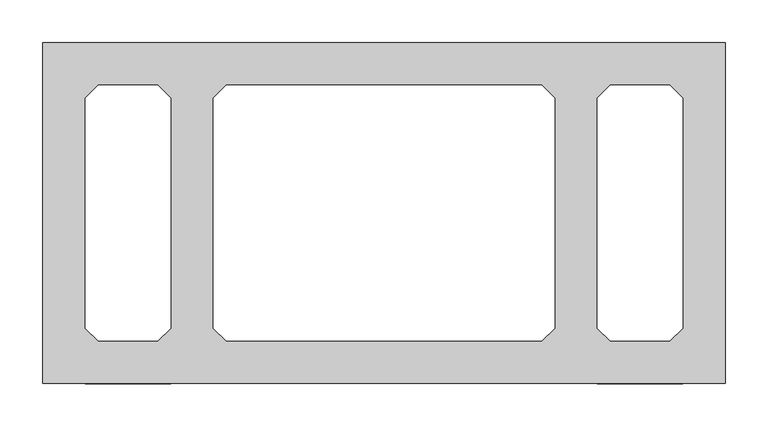
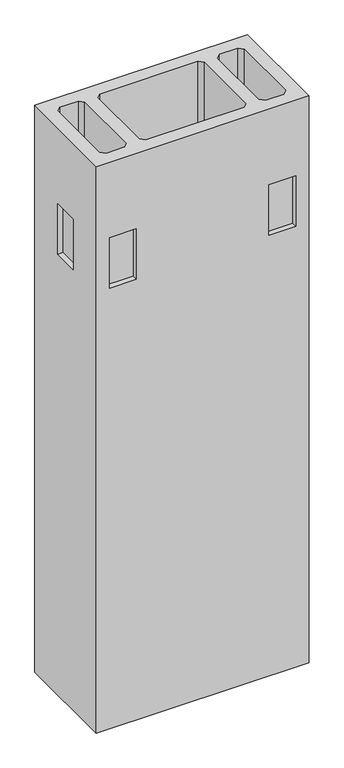
"""IFC4 building model written with IfcOpenShell, lengths in millimetres: proxy geometry."""

from ifc_helpers import new_model, si_unit, origin, place, context, project, spatial, faceted_brep, source, transform, mapped, element, save


def specialty_equipment_9d9a29e4(model_context):
    return source(origin(), model_context, "Body", "Brep", [
        faceted_brep([(-400.0, 200.0, 2250.0), (-400.0, -200.0, 2250.0), (400.0, -200.0, 2250.0), (400.0, 200.0, 2250.0), (-335.0, -150.0, 2250.0), (-350.0, -135.0, 2250.0), (-350.0, 135.0, 2250.0), (-335.0, 150.0, 2250.0), (-265.0, 150.0, 2250.0), (-250.0, 135.0, 2250.0), (-250.0, -135.0, 2250.0), (-265.0, -150.0, 2250.0), (-185.0, -150.0, 2250.0), (-200.0, -135.0, 2250.0), (-200.0, 135.0, 2250.0), (-185.0, 150.0, 2250.0), (185.0, 150.0, 2250.0), (200.0, 135.0, 2250.0), (200.0, -135.0, 2250.0), (185.0, -150.0, 2250.0), (265.0, -150.0, 2250.0), (250.0, -135.0, 2250.0), (250.0, 135.0, 2250.0), (265.0, 150.0, 2250.0), (335.0, 150.0, 2250.0), (350.0, 135.0, 2250.0), (350.0, -135.0, 2250.0), (335.0, -150.0, 2250.0), (-400.0, 200.0, 0.0), (400.0, 200.0, 0.0), (400.0, -200.0, 0.0), (-400.0, -200.0, 0.0), (-335.0, -150.0, 0.0), (-265.0, -150.0, 0.0), (-250.0, -135.0, 0.0), (-250.0, 135.0, 0.0), (-265.0, 150.0, 0.0), (-335.0, 150.0, 0.0), (-350.0, 135.0, 0.0), (-350.0, -135.0, 0.0), (-185.0, -150.0, 0.0), (185.0, -150.0, 0.0), (200.0, -135.0, 0.0), (200.0, 135.0, 0.0), (185.0, 150.0, 0.0), (-185.0, 150.0, 0.0), (-200.0, 135.0, 0.0), (-200.0, -135.0, 0.0), (265.0, -150.0, 0.0), (335.0, -150.0, 0.0), (350.0, -135.0, 0.0), (350.0, 135.0, 0.0), (335.0, 150.0, 0.0), (265.0, 150.0, 0.0), (250.0, 135.0, 0.0), (250.0, -135.0, 0.0), (-250.0, 200.0, 1950.0), (-350.0, 200.0, 1950.0), (-350.0, 200.0, 1750.0), (-250.0, 200.0, 1750.0), (250.0, 200.0, 1750.0), (350.0, 200.0, 1750.0), (350.0, 200.0, 1950.0), (250.0, 200.0, 1950.0), (400.0, 50.0, 1750.0), (400.0, -50.0, 1750.0), (400.0, -50.0, 1950.0), (400.0, 50.0, 1950.0), (-250.0, -200.0, 1750.0), (-350.0, -200.0, 1750.0), (-350.0, -200.0, 1950.0), (-250.0, -200.0, 1950.0), (250.0, -200.0, 1950.0), (350.0, -200.0, 1950.0), (350.0, -200.0, 1750.0), (250.0, -200.0, 1750.0), (-400.0, 50.0, 1950.0), (-400.0, -50.0, 1950.0), (-400.0, -50.0, 1750.0), (-400.0, 50.0, 1750.0), (-250.0, -180.0, 1950.0), (-350.0, -180.0, 1950.0), (-350.0, -180.0, 1750.0), (-250.0, -180.0, 1750.0), (250.0, -180.0, 1950.0), (250.0, -180.0, 1750.0), (350.0, -180.0, 1750.0), (350.0, -180.0, 1950.0), (-250.0, 180.0, 1950.0), (-250.0, 180.0, 1750.0), (-350.0, 180.0, 1750.0), (-350.0, 180.0, 1950.0), (250.0, 180.0, 1950.0), (350.0, 180.0, 1950.0), (350.0, 180.0, 1750.0), (250.0, 180.0, 1750.0), (-380.0, 50.0, 1950.0), (-380.0, 50.0, 1750.0), (-380.0, -50.0, 1750.0), (-380.0, -50.0, 1950.0), (380.0, 50.0, 1950.0), (380.0, -50.0, 1950.0), (380.0, -50.0, 1750.0), (380.0, 50.0, 1750.0)], [[[0, 1, 2, 3], [4, 5, 6, 7, 8, 9, 10, 11], [12, 13, 14, 15, 16, 17, 18, 19], [20, 21, 22, 23, 24, 25, 26, 27]], [[28, 29, 30, 31], [32, 33, 34, 35, 36, 37, 38, 39], [40, 41, 42, 43, 44, 45, 46, 47], [48, 49, 50, 51, 52, 53, 54, 55]], [[3, 29, 28, 0], [56, 57, 58, 59], [60, 61, 62, 63]], [[2, 30, 29, 3], [64, 65, 66, 67]], [[1, 31, 30, 2], [68, 69, 70, 71], [72, 73, 74, 75]], [[0, 28, 31, 1], [76, 77, 78, 79]], [[11, 33, 32, 4]], [[10, 34, 33, 11]], [[9, 35, 34, 10]], [[8, 36, 35, 9]], [[7, 37, 36, 8]], [[6, 38, 37, 7]], [[5, 39, 38, 6]], [[4, 32, 39, 5]], [[19, 41, 40, 12]], [[18, 42, 41, 19]], [[17, 43, 42, 18]], [[16, 44, 43, 17]], [[15, 45, 44, 16]], [[14, 46, 45, 15]], [[13, 47, 46, 14]], [[12, 40, 47, 13]], [[27, 49, 48, 20]], [[26, 50, 49, 27]], [[25, 51, 50, 26]], [[24, 52, 51, 25]], [[23, 53, 52, 24]], [[22, 54, 53, 23]], [[21, 55, 54, 22]], [[20, 48, 55, 21]], [[80, 81, 82, 83]], [[83, 68, 71, 80]], [[82, 69, 68, 83]], [[81, 70, 69, 82]], [[80, 71, 70, 81]], [[84, 85, 86, 87]], [[84, 72, 75, 85]], [[85, 75, 74, 86]], [[86, 74, 73, 87]], [[87, 73, 72, 84]], [[88, 89, 90, 91]], [[88, 56, 59, 89]], [[89, 59, 58, 90]], [[90, 58, 57, 91]], [[91, 57, 56, 88]], [[92, 93, 94, 95]], [[95, 60, 63, 92]], [[94, 61, 60, 95]], [[93, 62, 61, 94]], [[92, 63, 62, 93]], [[96, 97, 98, 99]], [[96, 76, 79, 97]], [[97, 79, 78, 98]], [[98, 78, 77, 99]], [[99, 77, 76, 96]], [[100, 101, 102, 103]], [[103, 64, 67, 100]], [[102, 65, 64, 103]], [[101, 66, 65, 102]], [[100, 67, 66, 101]]]),
    ])


if __name__ == "__main__":
    model = new_model("IFC4")
    model_context = context("Model", 3, world=origin())
    ifc_project = project(units=[si_unit("LENGTHUNIT", "METRE", prefix="MILLI")], contexts=[model_context])
    site = spatial("IfcSite", under=ifc_project)
    building = spatial("IfcBuilding", under=site)
    placement = place(None, origin())
    specialty_equipment_shape = specialty_equipment_9d9a29e4(model_context)
    element("IfcBuildingElementProxy", 1, Name="Specialty Equipment", at=placement, inside=building, context=model_context, shape_type="MappedRepresentation", body=[
        mapped(specialty_equipment_shape, transform((0.0, 0.0, 0.0), x_axis=(1.0, 0.0, 0.0), y_axis=(0.0, 1.0, 0.0), z_axis=(0.0, 0.0, 1.0))),
    ])
    save(model, "model.ifc")
